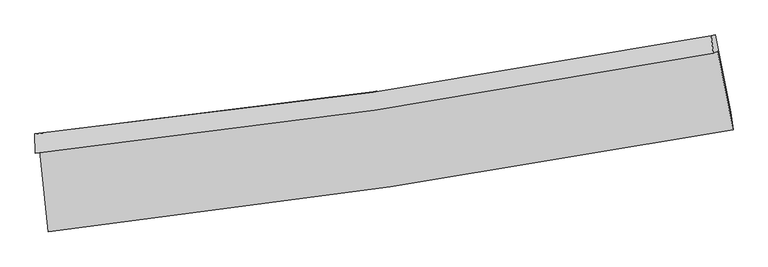
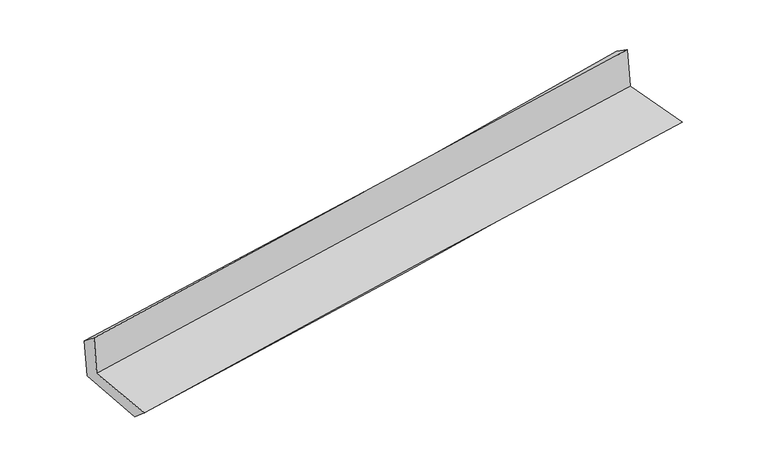
"""IFC4 building model written with IfcOpenShell, lengths in millimetres: proxy geometry."""

from ifc_helpers import new_model, si_unit, frame, origin, place, context, project, spatial, source, transform, mapped, element, save
from ifc_brep_helpers import plane_surface, spline_curve, spline_surface, advanced_brep


def generic_models_ce06c8cf(model_context):
    return source(origin(), model_context, "Body", "AdvancedBrep", [
        advanced_brep(
        [(-2822.395355, -1892.9166019, 1654.2531142), (-2751.3265298, -2561.7115166, 1635.2197322), (2904.3313755, -1718.4563976, 2099.0098621), (2776.7981954, -1068.1446627, 2112.149797), (-2857.1499574, -1910.4037146, 2037.1917069), (2740.7394555, -1086.2879647, 2509.4578407), (-2861.5229093, -1752.7950084, 1912.0752949), (2722.597851, -941.1961085, 2408.8726085), (-2827.0660738, -1746.7560508, 1544.6696746), (2758.5626121, -934.9183143, 2035.626195), (-2754.3535087, -2408.3117192, 1500.5715195), (2886.2501138, -1573.467879, 1998.0202463)],
        [
            (0, 1),
            (1, 2, spline_curve(3, [(-2751.3265298, -2561.7115166, 1635.2197322), (-1809.462304554, -2452.576901474, 1750.757210942), (-868.241030286, -2327.923537196, 1847.133163846), (1016.98384534, -2046.973032517, 2001.895988734), (1960.98187286, -1890.541356956, 2060.116745871), (2904.3313755, -1718.4563976, 2099.0098621)], [4, 2, 4], [0.0, 9.346588937247088, 18.733604145326357])),
            (2, 3),
            (3, 0, spline_curve(3, [(2776.7981954, -1068.1446627, 2112.149797), (1843.662858581, -1243.347958157, 2074.079013968), (909.486585778, -1399.788517301, 2016.761778722), (-956.920210887, -1674.551236972, 1863.964133888), (-1889.141788217, -1793.034657759, 1768.649141702), (-2822.395355, -1892.9166019, 1654.2531142)], [4, 2, 4], [0.0, 9.38701520807927, 18.733604145326357])),
            (4, 0),
            (3, 5),
            (5, 4, spline_curve(3, [(2740.7394555, -1086.2879647, 2509.4578407), (1807.954957849, -1261.314732007, 2467.521389032), (874.062873452, -1417.612299018, 2407.072862185), (-991.909783616, -1692.156577241, 2249.491712213), (-1923.980836941, -1810.564260555, 2152.518194102), (-2857.1499574, -1910.4037146, 2037.1917069)], [4, 2, 4], [0.0, 9.338737814148574, 18.637257269666968])),
            (6, 4),
            (5, 7),
            (7, 6, spline_curve(3, [(2722.597851, -941.1961085, 2408.8726085), (1795.395417069, -1116.35614208, 2331.09810456), (865.440686812, -1271.672620543, 2250.716122899), (-995.956554915, -1542.035038382, 2085.094607643), (-1927.375411426, -1657.251526259, 1999.877484893), (-2861.5229093, -1752.7950084, 1912.0752949)], [4, 2, 4], [0.0, 9.326279047473156, 18.612393391441287])),
            (8, 6),
            (7, 9),
            (9, 8, spline_curve(3, [(2758.5626121, -934.9183143, 2035.626195), (1830.924090367, -1110.157502726, 1960.749791021), (900.625583387, -1265.533462622, 1882.302568128), (-961.273506923, -1535.97532307, 1718.619704293), (-1892.85122879, -1651.211942349, 1633.414754034), (-2827.0660738, -1746.7560508, 1544.6696746)], [4, 2, 4], [0.0, 9.315754805077145, 18.591390230521014])),
            (10, 8),
            (9, 11),
            (11, 10, spline_curve(3, [(2886.2501138, -1573.467879, 1998.0202463), (1948.377151269, -1744.311384225, 1922.608890672), (1008.37142857, -1899.419703973, 1843.351414674), (-871.848109608, -2177.565745045, 1677.502116015), (-1812.043594212, -2300.738705426, 1590.943349929), (-2754.3535087, -2408.3117192, 1500.5715195)], [4, 2, 4], [0.0, 9.363849547599687, 18.687372589973595])),
            (1, 10),
            (11, 2),
        ],
        [
            spline_surface(3, 3, [[(-2822.395355, -1892.9166019, 1654.2531142), (-1889.141788125, -1793.034657715, 1768.649141598), (-956.92021088, -1674.551237104, 1863.96413391), (909.48658577, -1399.788517168, 2016.761778699), (1843.662858663, -1243.347958078, 2074.079014009), (2776.7981954, -1068.1446627, 2112.149797)], [(-2798.70574659, -2115.848240126, 1647.90865354), (-1862.58196022, -2012.882072243, 1762.685164718), (-927.360484026, -1892.342003807, 1858.353810536), (945.319005618, -1615.516688979, 2011.806515378), (1882.769196774, -1459.079091078, 2069.424924639), (2819.309255443, -1284.915241015, 2107.769818709)], [(-2775.01613821, -2338.779878374, 1641.56419286), (-1836.022132345, -2232.729486793, 1756.721187819), (-897.800757144, -2110.132770459, 1852.74348719), (981.151425495, -1831.244860739, 2006.851252085), (1921.875534855, -1674.810224031, 2064.770835241), (2861.820315457, -1501.685819285, 2103.389840391)], [(-2751.3265298, -2561.7115166, 1635.2197322), (-1809.46230444, -2452.576901321, 1750.757210938), (-868.24103029, -2327.923537162, 1847.133163815), (1016.983845344, -2046.97303255, 2001.895988764), (1960.981872965, -1890.541357031, 2060.11674587), (2904.3313755, -1718.4563976, 2099.0098621)]], [4, 4], [4, 2, 4], [0.0, 2.1581967387850143], [0.0, 9.346588937247088, 18.733604145326357]),
            spline_surface(3, 3, [[(-2857.1499574, -1910.4037146, 2037.1917069), (-1923.980836872, -1810.564260407, 2152.518194234), (-991.909783585, -1692.156577328, 2249.491712175), (874.062873422, -1417.612298931, 2407.072862223), (1807.954957736, -1261.314732072, 2467.521388899), (2740.7394555, -1086.2879647, 2509.4578407)], [(-2845.565089928, -1904.574677032, 1909.545509334), (-1912.367820617, -1804.721059508, 2024.561843357), (-980.246592707, -1686.288130584, 2120.982519418), (885.870777514, -1411.671038341, 2276.969167714), (1819.857591365, -1255.325807404, 2336.373930601), (2752.759035453, -1080.240197363, 2377.021826131)], [(-2833.980222472, -1898.745639468, 1781.899311766), (-1900.75480438, -1798.877858614, 1896.605492476), (-968.583401758, -1680.419683848, 1992.473326667), (897.678681678, -1405.729777758, 2146.865473209), (1831.760225034, -1249.336882746, 2205.226472308), (2764.778615447, -1074.192430037, 2244.585811569)], [(-2822.395355, -1892.9166019, 1654.2531142), (-1889.141788125, -1793.034657715, 1768.649141598), (-956.92021088, -1674.551237104, 1863.96413391), (909.48658577, -1399.788517168, 2016.761778699), (1843.662858663, -1243.347958078, 2074.079014009), (2776.7981954, -1068.1446627, 2112.149797)]], [4, 4], [4, 2, 4], [0.0, 1.2792870259620384], [0.0, 9.298519455518393, 18.637257269666968]),
            spline_surface(3, 3, [[(-2861.5229093, -1752.7950084, 1912.0752949), (-1927.375411579, -1657.251526229, 1999.877484946), (-995.956554994, -1542.035038237, 2085.094607778), (865.440686891, -1271.672620688, 2250.716122764), (1795.395417077, -1116.356142097, 2331.09810446), (2722.597851, -941.1961085, 2408.8726085)], [(-2860.065258676, -1805.331243801, 1953.780765577), (-1926.243886686, -1708.355770956, 2050.757721386), (-994.607631168, -1592.075551246, 2139.893642583), (868.314749091, -1320.31918008, 2302.835035923), (1799.581930639, -1164.6756721, 2376.572532606), (2728.645052509, -989.560060578, 2442.401019233)], [(-2858.607608024, -1857.867479199, 1995.486236223), (-1925.112361764, -1759.46001568, 2101.637957794), (-993.258707411, -1642.11606432, 2194.692677369), (871.188811222, -1368.965739538, 2354.953949064), (1803.768444174, -1212.995202069, 2422.046960753), (2734.692253991, -1037.924012622, 2475.929429967)], [(-2857.1499574, -1910.4037146, 2037.1917069), (-1923.980836872, -1810.564260407, 2152.518194234), (-991.909783585, -1692.156577328, 2249.491712175), (874.062873422, -1417.612298931, 2407.072862223), (1807.954957736, -1261.314732072, 2467.521388899), (2740.7394555, -1086.2879647, 2509.4578407)]], [4, 4], [4, 2, 4], [0.0, 0.7162890741495205], [0.0, 9.286114343968132, 18.612393391441287]),
            spline_surface(3, 3, [[(-2827.0660738, -1746.7560508, 1544.6696746), (-1892.851228644, -1651.211942251, 1633.414753952), (-961.273506952, -1535.975323163, 1718.619704446), (900.625583416, -1265.533462528, 1882.302567973), (1830.92409036, -1110.157502784, 1960.749790954), (2758.5626121, -934.9183143, 2035.626195)], [(-2838.551685644, -1748.769036676, 1667.138214687), (-1904.359289633, -1653.22513692, 1755.568997604), (-972.834522973, -1537.995228199, 1840.778005542), (888.897284567, -1267.579848593, 2005.107086222), (1819.081199255, -1112.223715874, 2084.199228783), (2746.574358389, -937.010912352, 2160.041666161)], [(-2850.037297456, -1750.782022524, 1789.606754813), (-1915.86735059, -1655.23833156, 1877.723241294), (-984.395538973, -1540.015133201, 1962.936306682), (877.168985739, -1269.626234623, 2127.911604515), (1807.238308183, -1114.289929007, 2207.648666631), (2734.586104711, -939.103510448, 2284.457137339)], [(-2861.5229093, -1752.7950084, 1912.0752949), (-1927.375411579, -1657.251526229, 1999.877484946), (-995.956554994, -1542.035038237, 2085.094607778), (865.440686891, -1271.672620688, 2250.716122764), (1795.395417077, -1116.356142097, 2331.09810446), (2722.597851, -941.1961085, 2408.8726085)]], [4, 4], [4, 2, 4], [0.0, 1.2111410958904434], [0.0, 9.27563542544387, 18.591390230521014]),
            spline_surface(3, 3, [[(-2754.3535087, -2408.3117192, 1500.5715195), (-1812.043594072, -2300.738705542, 1590.943350077), (-871.848109477, -2177.565745052, 1677.502116113), (1008.371428438, -1899.419703965, 1843.351414575), (1948.377151322, -1744.311384367, 1922.608890809), (2886.2501138, -1573.467879, 1998.0202463)], [(-2778.591030377, -2187.793163079, 1515.270904533), (-1838.979472239, -2084.229784457, 1605.100484702), (-901.656575293, -1963.702271084, 1691.207978878), (972.456146772, -1688.124290148, 1856.335132362), (1909.226131014, -1532.926757174, 1935.322524188), (2843.687613245, -1360.618024101, 2010.555562531)], [(-2802.828552123, -1967.274606921, 1529.970289567), (-1865.915350477, -1867.720863336, 1619.257619327), (-931.465041135, -1749.838797131, 1704.913841681), (936.540865081, -1476.828876346, 1869.318850186), (1870.075110669, -1321.542129977, 1948.036157575), (2801.125112655, -1147.768169199, 2023.090878769)], [(-2827.0660738, -1746.7560508, 1544.6696746), (-1892.851228644, -1651.211942251, 1633.414753952), (-961.273506952, -1535.975323163, 1718.619704446), (900.625583416, -1265.533462528, 1882.302567973), (1830.92409036, -1110.157502784, 1960.749790954), (2758.5626121, -934.9183143, 2035.626195)]], [4, 4], [4, 2, 4], [0.0, 2.121205328949174], [0.0, 9.323523042373909, 18.687372589973595]),
            spline_surface(3, 3, [[(-2751.3265298, -2561.7115166, 1635.2197322), (-1809.46230444, -2452.576901321, 1750.757210938), (-868.24103029, -2327.923537162, 1847.133163815), (1016.983845344, -2046.97303255, 2001.895988764), (1960.981872965, -1890.541357031, 2060.11674587), (2904.3313755, -1718.4563976, 2099.0098621)], [(-2752.335522786, -2510.578250786, 1590.336994628), (-1810.322734337, -2401.964169381, 1697.485923979), (-869.443390011, -2277.804273126, 1790.58948128), (1014.113039716, -1997.788589689, 1949.0477974), (1956.780299078, -1841.7980328, 2014.280794185), (2898.30428826, -1670.12689139, 2065.346656835)], [(-2753.344515714, -2459.444985014, 1545.454257072), (-1811.183164175, -2351.351437482, 1644.214637036), (-870.645749756, -2227.685009088, 1734.045798649), (1011.242234065, -1948.604146826, 1896.19960594), (1952.57872521, -1793.054708598, 1968.444842494), (2892.27720104, -1621.79738521, 2031.683451565)], [(-2754.3535087, -2408.3117192, 1500.5715195), (-1812.043594072, -2300.738705542, 1590.943350077), (-871.848109477, -2177.565745052, 1677.502116113), (1008.371428438, -1899.419703965, 1843.351414575), (1948.377151322, -1744.311384367, 1922.608890809), (2886.2501138, -1573.467879, 1998.0202463)]], [4, 4], [4, 2, 4], [0.0, 0.7272838869216293], [0.0, 9.382127117464112, 18.804834217034966]),
            plane_surface(frame((2798.2132672, -1220.4118878, 2193.8560916), z_axis=(0.9770180500914215, 0.18963718410714708, 0.09733174302080759), x_axis=(-0.09589895135567905, -0.016739548864342948, 0.9952503095366007))),
            plane_surface(frame((-2812.302389, -2045.4824353, 1713.9968404), z_axis=(-0.9902254576023081, -0.10253442210270587, -0.09455281804559704), x_axis=(-0.10562677989738901, 0.9940033906602584, 0.028288561724100655))),
        ],
        [
            (0, [[1, 2, 3, 4]]),
            (1, [[5, -4, 6, 7]]),
            (2, [[8, -7, 9, 10]]),
            (3, [[11, -10, 12, 13]]),
            (4, [[14, -13, 15, 16]]),
            (5, [[17, -16, 18, -2]]),
            (6, [[-12, -9, -6, -3, -18, -15]]),
            (7, [[-1, -5, -8, -11, -14, -17]]),
        ],
    ),
    ])


if __name__ == "__main__":
    model = new_model("IFC4")
    model_context = context("Model", 3, world=origin())
    ifc_project = project(units=[si_unit("LENGTHUNIT", "METRE", prefix="MILLI")], contexts=[model_context])
    site = spatial("IfcSite", under=ifc_project)
    building = spatial("IfcBuilding", under=site)
    placement = place(None, origin())
    generic_models_shape = generic_models_ce06c8cf(model_context)
    element("IfcBuildingElementProxy", 1, Name="Generic Models", at=placement, inside=building, context=model_context, shape_type="MappedRepresentation", body=[
        mapped(generic_models_shape, transform((0.0, 0.0, 0.0), x_axis=(1.0, 0.0, 0.0), y_axis=(0.0, 1.0, 0.0), z_axis=(0.0, 0.0, 1.0))),
    ])
    save(model, "model.ifc")
